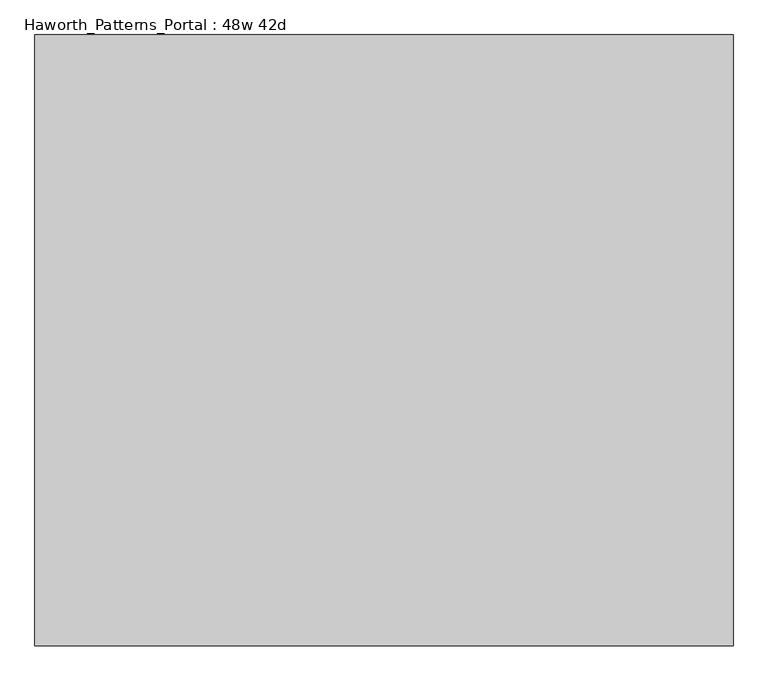
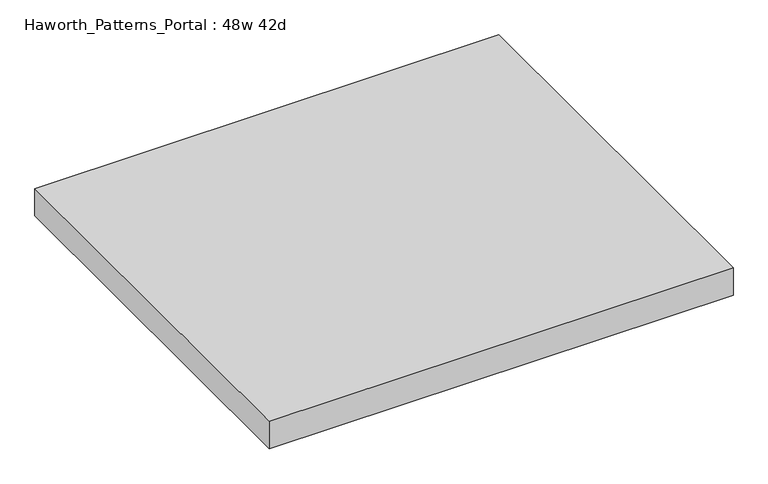
"""IFC4 building model written with IfcOpenShell, lengths in millimetres: furniture geometry, Haworth_Patterns_Portal : 48w 42d."""

from ifc_helpers import new_model, si_unit, frame, origin, place, context, project, spatial, polyline, outline, extrude, source, transform, mapped, element, save


def haworth_patterns_portal_48w_42d_e728b759(model_context):
    return source(origin(), model_context, "Body", "SweptSolid", [
        extrude(outline(polyline([(609.6, 533.4), (609.6, -533.4), (-609.6, -533.4), (-609.6, 533.4), (609.6, 533.4)])), frame((0.0, 0.0, 2349.5), z_axis=(0.0, 0.0, 1.0), x_axis=(1.0, 0.0, 0.0)), (0.0, 0.0, 1.0), 76.2),
    ])


if __name__ == "__main__":
    model = new_model("IFC4")
    model_context = context("Model", 3, world=origin())
    ifc_project = project(units=[si_unit("LENGTHUNIT", "METRE", prefix="MILLI")], contexts=[model_context])
    site = spatial("IfcSite", under=ifc_project)
    building = spatial("IfcBuilding", under=site)
    placement = place(None, origin())
    haworth_patterns_portal_48w_42d_shape = haworth_patterns_portal_48w_42d_e728b759(model_context)
    element("IfcFurniture", 1, ObjectType="Haworth_Patterns_Portal : 48w 42d", at=placement, inside=building, context=model_context, shape_type="MappedRepresentation", body=[
        mapped(haworth_patterns_portal_48w_42d_shape, transform((0.0, 0.0, 0.0), x_axis=(1.0, 0.0, 0.0), y_axis=(0.0, 1.0, 0.0), z_axis=(0.0, 0.0, 1.0))),
    ])
    save(model, "model.ifc")
